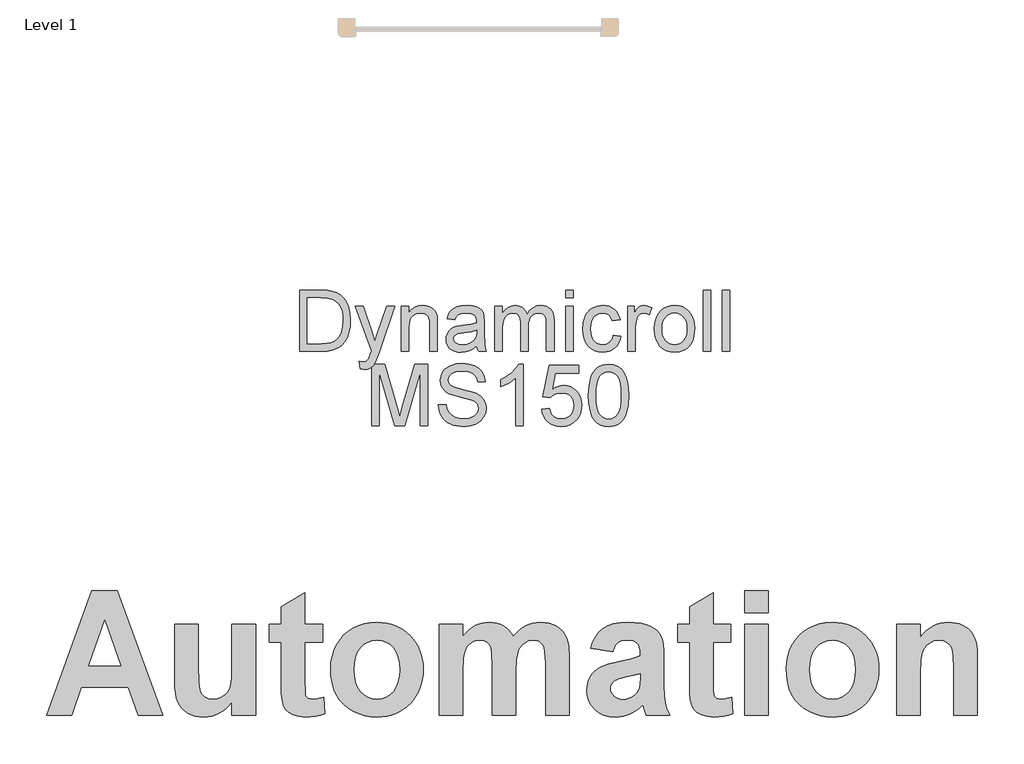
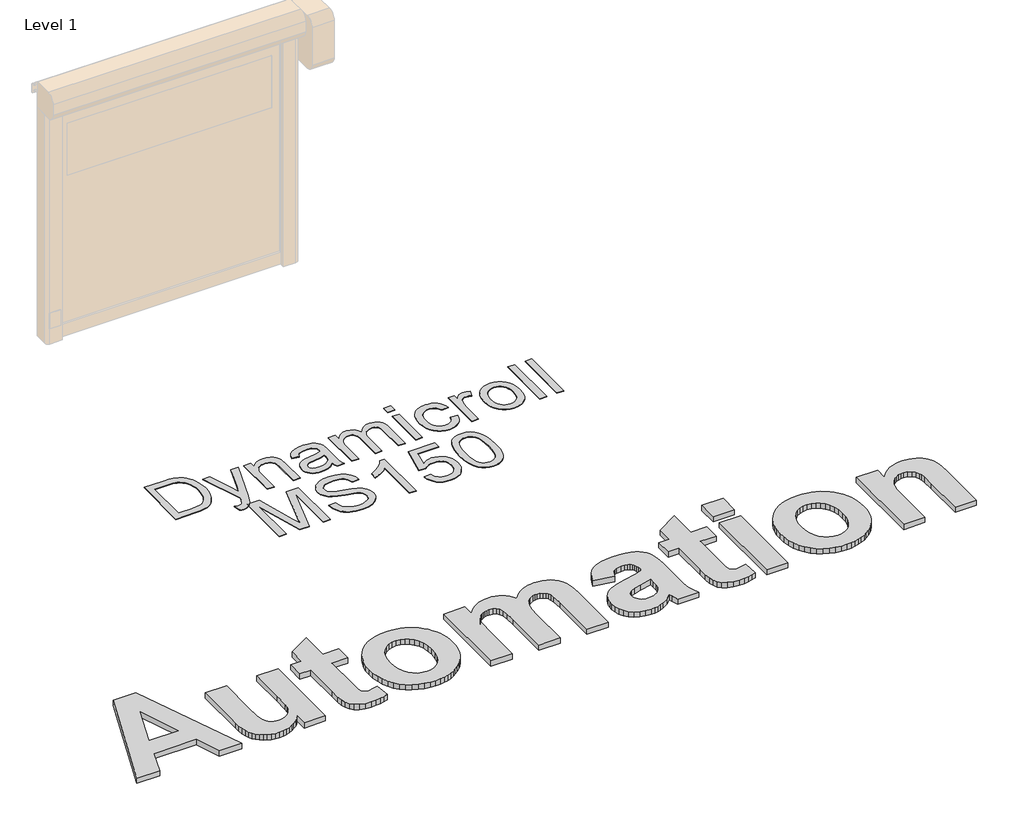
# One storey, part 17 of 18: 2 proxies.
"""IFC4 building model written with IfcOpenShell, lengths in millimetres."""

from ifc_helpers import new_model, si_unit, origin, origin_with_axes, place, context, project, spatial, polyline, outline, extrude, element, save

model = new_model("IFC4")

# Units and contexts
model_context = context("Model", 3, world=origin())
ifc_project = project(units=[si_unit("LENGTHUNIT", "METRE", prefix="MILLI")], contexts=[model_context])

# Site, building, storey
site = spatial("IfcSite", under=ifc_project)
building = spatial("IfcBuilding", under=site)
storey = spatial("IfcBuildingStorey", under=building, Name="Level 1", Elevation=0.0)

# Proxies
placement = place(None, origin())
element("IfcBuildingElementProxy", 1, Name="1000", ObjectType="1000", at=placement, inside=storey, context=model_context, shape_type="SweptSolid", body=[
    extrude(outline(polyline([(1198.6862628, 62514.1517949), (994.4825585, 62514.1517949), (914.5217524, 62740.876106), (529.1410316, 62740.876106), (450.1923876, 62514.1517949), (243.2052375, 62514.1517949), (615.6808914, 63534.4111948), (822.6680415, 63534.4111948), (1198.6862628, 62514.1517949)]), holes=[polyline([(852.273783, 62919.0166361), (720.9457502, 63291.4922901), (591.389001, 62919.0166361), (852.273783, 62919.0166361)])]), origin_with_axes(), (0.0, 0.0, 1.0), 50.0),
    extrude(outline(polyline([(1765.4970406, 62514.1517949), (1765.4970406, 62623.465302), (1744.6291047, 62595.796902), (1720.7404976, 62571.2440635), (1693.8312192, 62549.8067865), (1663.9012695, 62531.4850709), (1632.0102557, 62516.8166279), (1599.2177851, 62506.3391687), (1565.5238576, 62500.0526931), (1530.9284732, 62497.9572012), (1496.2777362, 62500.0131555), (1463.4299129, 62506.1810183), (1432.3850034, 62516.4607897), (1403.1430077, 62530.8524696), (1376.7635329, 62548.9685897), (1354.3061862, 62570.4216818), (1335.7709677, 62595.2117458), (1321.1578773, 62623.3387818), (1310.0873543, 62655.9889171), (1302.1798379, 62694.3482793), (1297.435328, 62738.4168684), (1295.8538247, 62788.1946843), (1295.8538247, 63259.1031028), (1490.1889485, 63259.1031028), (1490.1889485, 62914.7149472), (1492.814244, 62787.2141523), (1500.6901304, 62721.0124247), (1515.5562613, 62689.1293185), (1539.1522903, 62664.5843875), (1570.8772462, 62648.9275049), (1610.1301578, 62643.7085441), (1634.0345799, 62645.4481977), (1656.6579844, 62650.6671586), (1678.0003713, 62659.3654266), (1698.0617405, 62671.5430019), (1715.9485426, 62686.3063351), (1730.7672284, 62702.7618768), (1742.5177978, 62720.909627), (1751.2002509, 62740.7495857), (1757.4550964, 62768.9082517), (1761.9228432, 62812.0121238), (1765.4970406, 62943.0554861), (1765.4970406, 63259.1031028), (1959.8321644, 63259.1031028), (1959.8321644, 62514.1517949), (1765.4970406, 62514.1517949)])), origin_with_axes(), (0.0, 0.0, 1.0), 50.0),
    extrude(outline(polyline([(2510.4483485, 63259.1031028), (2510.4483485, 63113.3517599), (2364.6970057, 63113.3517599), (2364.6970057, 62793.7615759), (2365.804058, 62717.0586665), (2369.1252149, 62680.7789811), (2376.3684999, 62666.1026306), (2389.2419367, 62654.2097259), (2406.6384728, 62646.3338395), (2427.451056, 62643.7085441), (2465.913216, 62648.3897938), (2518.5456453, 62662.433543), (2526.6429422, 62524.2734159), (2490.3158117, 62512.760072), (2451.6796864, 62504.5362549), (2410.7345663, 62499.6019647), (2367.4804514, 62497.9572012), (2315.7336639, 62502.5119307), (2269.3007274, 62516.1761191), (2231.3762786, 62537.0519625), (2205.1549541, 62563.2416569), (2187.8533082, 62597.2123475), (2176.687895, 62641.4311794), (2171.9433851, 62694.2533891), (2170.3618818, 62782.8808333), (2170.3618818, 63113.3517599), (2073.1943199, 63113.3517599), (2073.1943199, 63259.1031028), (2170.3618818, 63259.1031028), (2170.3618818, 63404.8544456), (2364.6970057, 63518.2166012), (2364.6970057, 63259.1031028), (2510.4483485, 63259.1031028)])), origin_with_axes(), (0.0, 0.0, 1.0), 50.0),
    extrude(outline(polyline([(2575.2267231, 62897.2551509), (2578.2236718, 62945.8310244), (2587.214518, 62993.6319612), (2602.1992616, 63040.6579614), (2623.1779027, 63086.909025), (2649.6443602, 63130.0603422), (2681.0925531, 63167.7871031), (2717.5224813, 63200.0893077), (2758.9341448, 63226.966956), (2804.1176937, 63248.111655), (2851.8632779, 63263.2150113), (2902.1708974, 63272.2770252), (2955.0405523, 63275.2976964), (2995.9718342, 63273.5857191), (3035.009266, 63268.4497872), (3072.1528475, 63259.8899007), (3107.4025789, 63247.9060595), (3140.7584601, 63232.4982638), (3172.2204911, 63213.6665134), (3201.7886719, 63191.4108084), (3229.4630025, 63165.7311488), (3254.5199452, 63137.4341012), (3276.2359622, 63107.3262324), (3294.6110535, 63075.4075424), (3309.6452191, 63041.678031), (3321.338459, 63006.1376984), (3329.6907733, 62968.7865446), (3334.7021618, 62929.6245694), (3336.3726247, 62888.651773), (3334.6843699, 62847.3606991), (3329.6196056, 62807.8764927), (3321.1783318, 62770.1991538), (3309.3605485, 62734.3286824), (3294.1662557, 62700.2650785), (3275.5954534, 62668.0083421), (3253.6481415, 62637.5584732), (3228.3243201, 62608.9154718), (3200.4424172, 62582.9096271), (3170.8208607, 62560.3712284), (3139.4596505, 62541.3002757), (3106.3587867, 62525.6967689), (3071.5182693, 62513.560708), (3034.9380983, 62504.8920932), (2996.6182737, 62499.6909242), (2956.5587955, 62497.9572012), (2906.4172338, 62500.8434447), (2857.4617995, 62509.5021752), (2809.6924928, 62523.9333927), (2763.1093135, 62544.1370972), (2719.8710137, 62569.9235083), (2682.1363452, 62601.1028456), (2649.9053083, 62637.6751091), (2623.1779027, 62679.6402988), (2602.1992616, 62726.7374666), (2587.214518, 62778.7056646), (2578.2236718, 62835.5448927), (2575.2267231, 62897.2551509)]), holes=[polyline([(2769.5618469, 62886.6274488), (2772.9225414, 62831.2352962), (2783.0046248, 62782.7226829), (2799.8080973, 62741.0896089), (2823.3329586, 62706.3360742), (2851.7921103, 62678.9365298), (2883.3984534, 62659.3654266), (2918.1519882, 62647.6227647), (2956.0527144, 62643.7085441), (2993.9376256, 62647.6227647), (3028.6437152, 62659.3654266), (3060.1709832, 62678.9365298), (3088.5194297, 62706.3360742), (3111.9335858, 62741.1844991), (3128.6579831, 62783.1022437), (3138.6926214, 62832.089308), (3142.0375009, 62888.145692), (3138.6926214, 62942.8736132), (3128.6579831, 62990.9117755), (3111.9335858, 63032.2601789), (3088.5194297, 63066.9188235), (3060.1709832, 63094.3183679), (3028.6437152, 63113.8894711), (2993.9376256, 63125.632133), (2956.0527144, 63129.5463536), (2918.1519882, 63125.632133), (2883.3984534, 63113.8894711), (2851.7921103, 63094.3183679), (2823.3329586, 63066.9188235), (2799.8080973, 63032.1652888), (2783.0046248, 62990.5322147), (2772.9225414, 62942.0196014), (2769.5618469, 62886.6274488)])]), origin_with_axes(), (0.0, 0.0, 1.0), 50.0),
    extrude(outline(polyline([(3465.9293739, 63259.1031028), (3660.2644977, 63259.1031028), (3660.2644977, 63159.4051356), (3683.64307, 63186.5674546), (3708.1049721, 63210.108131), (3733.6502039, 63230.0271649), (3760.2787655, 63246.3245562), (3787.9906568, 63259.0003051), (3816.7858779, 63268.0544114), (3846.6644287, 63273.4868752), (3877.6263093, 63275.2976964), (3910.0392192, 63273.5185052), (3940.2222094, 63268.1809317), (3968.17528, 63259.2849757), (3993.8984309, 63246.8306373), (4017.4074773, 63230.7704714), (4038.718234, 63211.057033), (4057.8307012, 63187.6903219), (4074.7448789, 63160.6703383), (4099.1395671, 63187.6903219), (4124.4989723, 63211.057033), (4150.8230945, 63230.7704714), (4178.1119337, 63246.8306373), (4206.3496748, 63259.2849757), (4235.520503, 63268.1809317), (4265.624418, 63273.5185052), (4296.66142, 63275.2976964), (4335.1077649, 63273.2180196), (4370.4859934, 63266.9789892), (4402.7961055, 63256.5806051), (4432.0381013, 63242.0228673), (4458.0063853, 63223.4322962), (4480.495362, 63200.9354119), (4499.5050315, 63174.5322146), (4515.0353938, 63144.2227041), (4523.6704017, 63116.751992), (4529.8382645, 63081.9114746), (4534.7725548, 62990.1210239), (4534.7725548, 62514.1517949), (4340.437431, 62514.1517949), (4340.437431, 62943.0554861), (4335.5031407, 63034.8459368), (4329.3352779, 63065.8908463), (4320.70027, 63087.0355453), (4305.7392489, 63105.6340239), (4287.1724003, 63118.9186515), (4264.9997242, 63126.8894281), (4239.2212207, 63129.5463536), (4219.5235972, 63127.9569428), (4200.41113, 63123.1887104), (4163.9416642, 63104.1157808), (4147.5256601, 63089.9217888), (4133.5768011, 63072.7703856), (4122.0950873, 63052.6615713), (4113.0805185, 63029.5953459), (4106.2721469, 63001.4920325), (4101.4090243, 62966.2719543), (4097.5185262, 62874.4815036), (4097.5185262, 62514.1517949), (3903.1834024, 62514.1517949), (3903.1834024, 62925.3426493), (3900.6529972, 63015.4567065), (3893.0617814, 63066.6657829), (3880.1883446, 63094.3737205), (3861.8112764, 63113.9843613), (3836.8551546, 63125.6558555), (3804.2445568, 63129.5463536), (3782.9100775, 63128.0043879), (3762.6826505, 63123.3784908), (3743.5622757, 63115.6686623), (3725.5489533, 63104.8749023), (3709.3227296, 63091.1632688), (3695.563651, 63074.6998196), (3684.2717175, 63055.4845547), (3675.4469292, 63033.5174741), (3668.8046154, 63006.3393401), (3664.0601055, 62971.4909152), (3660.2644977, 62878.7831925), (3660.2644977, 62514.1517949), (3465.9293739, 62514.1517949), (3465.9293739, 63259.1031028)])), origin_with_axes(), (0.0, 0.0, 1.0), 50.0),
    extrude(outline(polyline([(4891.0536151, 63032.3787917), (4712.9130849, 63064.767979), (4729.6532972, 63114.9332632), (4751.5333952, 63158.139933), (4778.5533788, 63194.3879883), (4810.7132481, 63223.6774292), (4849.6419515, 63246.2612961), (4896.9684374, 63262.3926296), (4952.6927056, 63272.0714297), (5016.8147564, 63275.2976964), (5074.9666322, 63273.3445399), (5125.1793615, 63267.4850702), (5167.4529444, 63257.7192874), (5201.7873807, 63244.0471915), (5229.9065092, 63227.3781469), (5253.5341683, 63208.6215179), (5272.670358, 63187.7773046), (5287.3150784, 63164.8455069), (5298.164191, 63135.8486442), (5305.9135571, 63096.8092356), (5310.5631768, 63047.7272811), (5312.11305, 62988.6027807), (5312.11305, 62758.8419833), (5314.6750853, 62673.5673261), (5322.3611913, 62614.1028026), (5337.0691718, 62565.8353223), (5360.6968309, 62514.1517949), (5166.3617071, 62514.1517949), (5148.1427893, 62575.8936832), (5141.3106951, 62600.4386142), (5091.0188906, 62555.6820712), (5037.311039, 62523.6408146), (5009.1444654, 62512.4042338), (4980.06062, 62504.3781046), (4950.0595027, 62499.5624271), (4919.1411134, 62497.9572012), (4866.6589269, 62501.8556068), (4820.0441175, 62513.5508236), (4779.2966854, 62533.0428516), (4744.4166304, 62560.3316908), (4716.4635598, 62593.5669824), (4696.4970808, 62630.8983675), (4684.5171934, 62672.3258461), (4680.5238976, 62717.8494181), (4682.3030888, 62748.4989518), (4687.6406624, 62777.440462), (4696.5366184, 62804.6739486), (4708.9909568, 62830.1994116), (4724.6557468, 62853.4316949), (4743.1830578, 62873.7856422), (4764.5728898, 62891.2612535), (4788.8252427, 62905.8585288), (4851.5160329, 62930.4667199), (4936.8539502, 62951.658864), (5047.3693999, 62976.6466159), (5117.7779262, 62999.9896044), (5117.7779262, 63020.485887), (5116.2675905, 63047.8458938), (5111.7365836, 63070.9674719), (5104.1849054, 63089.8506211), (5093.612556, 63104.4953415), (5078.8650378, 63115.4551593), (5058.7878536, 63123.2836006), (5033.3810033, 63127.9806653), (5002.6444869, 63129.5463536), (4962.3477832, 63124.1692424), (4945.9475941, 63117.4478535), (4932.0461802, 63108.0379089), (4919.9951252, 63095.2435473), (4909.1460127, 63078.3689073), (4891.0536151, 63032.3787917)]), holes=[polyline([(5117.7779262, 62854.2382615), (5008.2113785, 62827.2894455), (4946.2164497, 62811.8223434), (4910.0316545, 62796.5450217), (4894.6436275, 62783.5608797), (4883.6521797, 62768.9003442), (4877.057311, 62752.5634153), (4874.8590214, 62734.5500928), (4876.6223976, 62716.7028283), (4881.9125261, 62700.1049513), (4890.7294069, 62684.7564619), (4903.07304, 62670.6573601), (4918.1368588, 62658.8672531), (4935.1142966, 62650.4457481), (4954.0053534, 62645.3928451), (4974.8100291, 62643.7085441), (4998.9279542, 62645.6696082), (5022.4449081, 62651.5528004), (5045.3608907, 62661.3581208), (5067.6759021, 62675.0855693), (5094.8777586, 62701.5283042), (5110.6927914, 62733.2848902), (5116.0066425, 62765.9903782), (5117.7779262, 62819.0656285), (5117.7779262, 62854.2382615)])]), origin_with_axes(), (0.0, 0.0, 1.0), 50.0),
    extrude(outline(polyline([(5862.7292341, 63259.1031028), (5862.7292341, 63113.3517599), (5716.9778912, 63113.3517599), (5716.9778912, 62793.7615759), (5718.0849435, 62717.0586665), (5721.4061004, 62680.7789811), (5728.6493855, 62666.1026306), (5741.5228222, 62654.2097259), (5758.9193584, 62646.3338395), (5779.7319416, 62643.7085441), (5818.1941015, 62648.3897938), (5870.8265309, 62662.433543), (5878.9238277, 62524.2734159), (5842.5966972, 62512.760072), (5803.960572, 62504.5362549), (5763.0154519, 62499.6019647), (5719.761337, 62497.9572012), (5668.0145495, 62502.5119307), (5621.581613, 62516.1761191), (5583.6571642, 62537.0519625), (5557.4358397, 62563.2416569), (5540.1341938, 62597.2123475), (5528.9687806, 62641.4311794), (5524.2242707, 62694.2533891), (5522.6427674, 62782.8808333), (5522.6427674, 63113.3517599), (5425.4752055, 63113.3517599), (5425.4752055, 63259.1031028), (5522.6427674, 63259.1031028), (5522.6427674, 63404.8544456), (5716.9778912, 63518.2166012), (5716.9778912, 63259.1031028), (5862.7292341, 63259.1031028)])), origin_with_axes(), (0.0, 0.0, 1.0), 50.0),
    extrude(outline(polyline([(5976.0913896, 63356.2706647), (5976.0913896, 63534.4111948), (6170.4265134, 63534.4111948), (6170.4265134, 63356.2706647), (5976.0913896, 63356.2706647)])), origin_with_axes(), (0.0, 0.0, 1.0), 50.0),
    extrude(outline(polyline([(5976.0913896, 62514.1517949), (5976.0913896, 63259.1031028), (6170.4265134, 63259.1031028), (6170.4265134, 62514.1517949), (5976.0913896, 62514.1517949)])), origin_with_axes(), (0.0, 0.0, 1.0), 50.0),
    extrude(outline(polyline([(6316.1778563, 62897.2551509), (6319.174805, 62945.8310244), (6328.1656512, 62993.6319612), (6343.1503948, 63040.6579614), (6364.1290359, 63086.909025), (6390.5954934, 63130.0603422), (6422.0436863, 63167.7871031), (6458.4736144, 63200.0893077), (6499.885278, 63226.966956), (6545.0688269, 63248.111655), (6592.8144111, 63263.2150113), (6643.1220306, 63272.2770252), (6695.9916855, 63275.2976964), (6736.9229674, 63273.5857191), (6775.9603991, 63268.4497872), (6813.1039807, 63259.8899007), (6848.3537121, 63247.9060595), (6881.7095932, 63232.4982638), (6913.1716242, 63213.6665134), (6942.7398051, 63191.4108084), (6970.4141357, 63165.7311488), (6995.4710784, 63137.4341012), (7017.1870954, 63107.3262324), (7035.5621867, 63075.4075424), (7050.5963523, 63041.678031), (7062.2895922, 63006.1376984), (7070.6419064, 62968.7865446), (7075.653295, 62929.6245694), (7077.3237578, 62888.651773), (7075.6355031, 62847.3606991), (7070.5707388, 62807.8764927), (7062.129465, 62770.1991538), (7050.3116817, 62734.3286824), (7035.1173889, 62700.2650785), (7016.5465865, 62668.0083421), (6994.5992747, 62637.5584732), (6969.2754533, 62608.9154718), (6941.3935504, 62582.9096271), (6911.7719938, 62560.3712284), (6880.4107837, 62541.3002757), (6847.3099199, 62525.6967689), (6812.4694025, 62513.560708), (6775.8892315, 62504.8920932), (6737.5694069, 62499.6909242), (6697.5099286, 62497.9572012), (6647.3683669, 62500.8434447), (6598.4129327, 62509.5021752), (6550.643626, 62523.9333927), (6504.0604467, 62544.1370972), (6460.8221468, 62569.9235083), (6423.0874784, 62601.1028456), (6390.8564414, 62637.6751091), (6364.1290359, 62679.6402988), (6343.1503948, 62726.7374666), (6328.1656512, 62778.7056646), (6319.174805, 62835.5448927), (6316.1778563, 62897.2551509)]), holes=[polyline([(6510.5129801, 62886.6274488), (6513.8736746, 62831.2352962), (6523.955758, 62782.7226829), (6540.7592304, 62741.0896089), (6564.2840918, 62706.3360742), (6592.7432434, 62678.9365298), (6624.3495866, 62659.3654266), (6659.1031213, 62647.6227647), (6697.0038476, 62643.7085441), (6734.8887588, 62647.6227647), (6769.5948484, 62659.3654266), (6801.1221164, 62678.9365298), (6829.4705628, 62706.3360742), (6852.884719, 62741.1844991), (6869.6091162, 62783.1022437), (6879.6437546, 62832.089308), (6882.988634, 62888.145692), (6879.6437546, 62942.8736132), (6869.6091162, 62990.9117755), (6852.884719, 63032.2601789), (6829.4705628, 63066.9188235), (6801.1221164, 63094.3183679), (6769.5948484, 63113.8894711), (6734.8887588, 63125.632133), (6697.0038476, 63129.5463536), (6659.1031213, 63125.632133), (6624.3495866, 63113.8894711), (6592.7432434, 63094.3183679), (6564.2840918, 63066.9188235), (6540.7592304, 63032.1652888), (6523.955758, 62990.5322147), (6513.8736746, 62942.0196014), (6510.5129801, 62886.6274488)])]), origin_with_axes(), (0.0, 0.0, 1.0), 50.0),
    extrude(outline(polyline([(7887.0534403, 62514.1517949), (7692.7183165, 62514.1517949), (7692.7183165, 62897.0021104), (7689.6818302, 62997.2061586), (7685.8862223, 63031.1768492), (7680.5723713, 63054.3933174), (7664.567558, 63086.0866433), (7640.8450088, 63109.8091926), (7610.5434058, 63124.6120633), (7574.8014315, 63129.5463536), (7550.6439688, 63127.7829774), (7527.7675238, 63122.4928489), (7506.1720964, 63113.6759681), (7485.8576867, 63101.332335), (7467.7336591, 63086.0708283), (7452.7093778, 63068.5003267), (7440.7848431, 63048.6208304), (7431.9600547, 63026.4323393), (7425.594504, 62998.1471531), (7421.047682, 62959.9775713), (7417.4102245, 62853.985221), (7417.4102245, 62514.1517949), (7223.0751007, 62514.1517949), (7223.0751007, 63259.1031028), (7417.4102245, 63259.1031028), (7417.4102245, 63151.8139199), (7441.2474328, 63180.75543), (7466.5791617, 63205.8380721), (7493.4054111, 63227.0618462), (7521.7261812, 63244.4267523), (7551.5414719, 63257.9327904), (7582.8512832, 63267.5799604), (7615.6556152, 63273.3682624), (7649.9544677, 63275.2976964), (7709.0394305, 63269.4145042), (7736.5892177, 63262.0605139), (7762.8105422, 63251.7649275), (7807.7252355, 63225.0058919), (7825.5329625, 63209.2066741), (7840.2409431, 63191.7943229), (7862.5401394, 63152.9209722), (7876.805299, 63109.1765913), (7884.491405, 63052.9699645), (7887.0534403, 62976.709876), (7887.0534403, 62514.1517949)])), origin_with_axes(), (0.0, 0.0, 1.0), 50.0),
])
element("IfcBuildingElementProxy", 2, Name="500mm", ObjectType="500mm", at=placement, inside=storey, context=model_context, shape_type="SweptSolid", body=[
    extrude(outline(polyline([(2323.0374075, 65500.9633243), (2323.0374075, 66003.244875), (2496.3098272, 66003.244875), (2548.089218, 66001.4361219), (2585.9504067, 65996.0098625), (2625.9882305, 65982.0610035), (2659.7720604, 65960.0800543), (2678.3884222, 65942.1151502), (2694.5062521, 65921.8203268), (2708.1255501, 65899.1955841), (2719.2463163, 65874.2409221), (2734.0535666, 65818.2615451), (2738.9893167, 65754.801901), (2735.6477219, 65700.8918603), (2725.6229375, 65653.4504113), (2710.3558347, 65613.0600339), (2691.2872846, 65580.3032079), (2669.3369923, 65554.4441693), (2645.4246626, 65534.7471542), (2617.9714687, 65520.1391733), (2585.3985837, 65509.5472375), (2547.6446939, 65503.1093026), (2504.6484857, 65500.9633243), (2323.0374075, 65500.9633243)]), holes=[polyline([(2385.8226013, 65563.7485181), (2496.9229638, 65563.7485181), (2542.8775564, 65566.0171238), (2577.7343755, 65572.8229407), (2604.0379381, 65583.76743), (2624.3327615, 65598.452053), (2646.1450981, 65625.6293354), (2662.5311753, 65660.8080512), (2672.785886, 65704.1414845), (2676.2041228, 65755.7829196), (2674.5294933, 65792.233894), (2669.5056048, 65824.2089707), (2661.1324573, 65851.7081499), (2649.4100508, 65874.7314314), (2635.2887472, 65893.7999815), (2619.7189082, 65909.4349663), (2602.7005338, 65921.6363858), (2584.233624, 65930.40424), (2548.1198748, 65937.9458209), (2495.2061812, 65940.4596812), (2385.8226013, 65940.4596812), (2385.8226013, 65563.7485181)])]), origin_with_axes(), (0.0, 0.0, 1.0), 5.0),
    extrude(outline(polyline([(2817.470809, 65359.6966381), (2809.6226597, 65420.1519127), (2841.505766, 65414.6336828), (2858.2750536, 65416.3657938), (2871.3042076, 65421.562127), (2881.4516193, 65429.8548003), (2889.57568, 65440.8759317), (2906.7435065, 65487.1064358), (2911.6485997, 65502.3122249), (2778.2300628, 65869.8263381), (2844.448822, 65869.8263381), (2915.2047924, 65665.0386941), (2939.852886, 65583.1236365), (2964.5009797, 65655.4737623), (3037.2189874, 65869.8263381), (3102.9472372, 65869.8263381), (2974.5564209, 65492.1341564), (2941.2017867, 65410.2190988), (2924.1259307, 65384.0688203), (2904.7814692, 65365.9506321), (2882.3100106, 65355.3740247), (2855.8531638, 65351.8484889), (2837.6736619, 65353.8105262), (2817.470809, 65359.6966381)])), origin_with_axes(), (0.0, 0.0, 1.0), 5.0),
    extrude(outline(polyline([(3154.9412259, 65500.9633243), (3154.9412259, 65869.8263381), (3217.7264197, 65869.8263381), (3217.7264197, 65818.3228588), (3239.5387564, 65844.2891963), (3265.7350201, 65862.8365802), (3296.3152109, 65873.9650106), (3331.2793289, 65877.6744874), (3362.2274018, 65874.6854461), (3390.5696438, 65865.7183225), (3414.206062, 65851.8920909), (3431.0366633, 65834.3257256), (3442.4563335, 65813.0652119), (3449.8599587, 65788.1565352), (3453.1708966, 65727.456006), (3453.1708966, 65500.9633243), (3390.3857028, 65500.9633243), (3390.3857028, 65718.9947201), (3388.5769497, 65751.4603062), (3383.1506902, 65774.5449014), (3373.1412343, 65791.0842627), (3357.5828916, 65803.9141473), (3337.6406217, 65812.145507), (3314.4793845, 65814.8892935), (3295.4146665, 65813.3487877), (3277.7065134, 65808.7272701), (3261.3549251, 65801.0247408), (3246.3599017, 65790.2411998), (3233.8327533, 65775.1503738), (3224.8847902, 65754.5259895), (3219.5160124, 65728.3680468), (3217.7264197, 65696.6765457), (3217.7264197, 65500.9633243), (3154.9412259, 65500.9633243)])), origin_with_axes(), (0.0, 0.0, 1.0), 5.0),
    extrude(outline(polyline([(3774.9450151, 65548.0522197), (3744.9473041, 65522.3311368), (3714.0605449, 65505.5005356), (3681.5796304, 65496.2115152), (3646.7994534, 65493.1151751), (3618.8442539, 65494.9775777), (3594.3302839, 65500.5647855), (3573.2575433, 65509.8767985), (3555.6260323, 65522.9136167), (3541.703998, 65538.8475056), (3531.7596879, 65556.8507307), (3525.7931018, 65576.9232921), (3523.8042397, 65599.0651897), (3526.8086093, 65625.0928408), (3535.8217182, 65648.729259), (3549.724592, 65668.9627688), (3567.3982561, 65684.7816945), (3588.1682605, 65696.7378594), (3611.3601546, 65705.3830863), (3665.6840625, 65714.8253908), (3729.8794707, 65724.7582047), (3774.5771331, 65736.4078012), (3774.9450151, 65750.387317), (3770.6224016, 65778.4076623), (3757.6545613, 65796.7404484), (3744.5794221, 65804.6805681), (3728.6531974, 65810.3520822), (3688.2474916, 65814.8892935), (3650.8461554, 65811.8695955), (3624.7265337, 65802.8105013), (3606.9149138, 65786.0565421), (3594.4375828, 65759.9522489), (3531.6523889, 65767.8003981), (3542.5508931, 65802.136051), (3558.8143429, 65829.114064), (3581.9602518, 65849.7461126), (3613.5061329, 65865.0438722), (3652.0877571, 65874.5168336), (3696.3408955, 65877.6744874), (3738.7852806, 65874.8847156), (3772.4311548, 65866.5154002), (3797.799684, 65853.9307702), (3815.4120346, 65838.4950549), (3827.0922879, 65819.4111764), (3834.6645256, 65795.8820571), (3837.7302089, 65740.9450125), (3837.7302089, 65662.8314022), (3840.9185196, 65553.7543906), (3845.6396718, 65526.791706), (3853.4265074, 65500.9633243), (3790.6413136, 65500.9633243), (3780.5858724, 65522.7909893), (3774.9450151, 65548.0522197)]), holes=[polyline([(3774.9450151, 65673.6226074), (3732.761213, 65663.1686273), (3673.6548391, 65654.3701163), (3619.6374995, 65644.1920477), (3605.5813416, 65637.2329467), (3595.1733468, 65627.637358), (3588.7354119, 65616.1410456), (3586.5894336, 65603.4797736), (3591.2646006, 65584.8097624), (3605.2901016, 65569.5120027), (3628.3593684, 65559.3032774), (3660.1658326, 65555.9003689), (3693.8883488, 65559.6558309), (3723.6867904, 65570.922217), (3747.8443748, 65587.5228921), (3764.6443192, 65607.2812209), (3772.0939296, 65627.637358), (3774.5771331, 65655.8416443), (3774.9450151, 65673.6226074)])]), origin_with_axes(), (0.0, 0.0, 1.0), 5.0),
    extrude(outline(polyline([(3924.0598505, 65500.9633243), (3924.0598505, 65869.8263381), (3986.8450443, 65869.8263381), (3986.8450443, 65809.1258089), (4005.7296534, 65837.0081985), (4030.0098651, 65858.8511919), (4058.8579449, 65872.9686635), (4091.4461583, 65877.6744874), (4126.364291, 65872.876693), (4154.3539794, 65858.4833099), (4175.2619395, 65835.4447), (4188.934887, 65804.711225), (4211.8202128, 65836.6326523), (4237.924506, 65859.4336718), (4267.2477667, 65873.1142835), (4299.7899949, 65877.6744874), (4324.9247658, 65875.7775958), (4346.9861892, 65870.0869212), (4365.9742651, 65860.6024635), (4381.8889935, 65847.3242228), (4394.4697913, 65830.0989147), (4403.4560754, 65808.7732553), (4408.8478459, 65783.3472445), (4410.6451028, 65753.8208823), (4410.6451028, 65500.9633243), (4347.8599089, 65500.9633243), (4347.8599089, 65726.8428693), (4346.4037093, 65758.1588242), (4342.0351107, 65779.2660536), (4333.8497363, 65793.7207504), (4320.9432096, 65805.079107), (4304.3425346, 65812.4367469), (4285.0747151, 65814.8892935), (4267.2822557, 65813.3181308), (4251.0609589, 65808.6046428), (4236.4108249, 65800.7488293), (4223.3318535, 65789.7506905), (4212.5751373, 65775.2883296), (4204.8917685, 65757.0398498), (4200.2817473, 65735.0052511), (4198.7450735, 65709.1845336), (4198.7450735, 65500.9633243), (4135.9598797, 65500.9633243), (4135.9598797, 65733.8326272), (4132.327045, 65769.3332398), (4121.4285409, 65794.6557838), (4113.0017439, 65803.5079443), (4102.2526919, 65809.8309161), (4073.7878225, 65814.8892935), (4049.5995813, 65811.5170419), (4027.3120638, 65801.400287), (4008.917964, 65784.7842836), (3996.4099762, 65761.9142862), (3989.2362773, 65730.1844641), (3986.8450443, 65686.9889865), (3986.8450443, 65500.9633243), (3924.0598505, 65500.9633243)])), origin_with_axes(), (0.0, 0.0, 1.0), 5.0),
    extrude(outline(polyline([(4504.8228935, 65940.4596812), (4504.8228935, 66003.244875), (4567.6080874, 66003.244875), (4567.6080874, 65940.4596812), (4504.8228935, 65940.4596812)])), origin_with_axes(), (0.0, 0.0, 1.0), 5.0),
    extrude(outline(polyline([(4504.8228935, 65500.9633243), (4504.8228935, 65869.8263381), (4567.6080874, 65869.8263381), (4567.6080874, 65500.9633243), (4504.8228935, 65500.9633243)])), origin_with_axes(), (0.0, 0.0, 1.0), 5.0),
    extrude(outline(polyline([(4897.230355, 65634.3818612), (4960.0155489, 65626.533712), (4953.1867394, 65596.9077151), (4942.5104973, 65570.6922908), (4927.9868227, 65547.8874392), (4909.6157155, 65528.4931603), (4888.1712609, 65513.0152917), (4864.4275438, 65501.9596714), (4838.3845642, 65495.3262991), (4810.0423222, 65493.1151751), (4774.8291175, 65496.2000189), (4743.2564116, 65505.4545503), (4715.3242047, 65520.8787694), (4691.0324967, 65542.4726761), (4671.3699705, 65569.8300674), (4657.3253089, 65602.5447402), (4648.898512, 65640.6166946), (4646.0895797, 65684.0459306), (4650.887374, 65739.9180086), (4665.2807571, 65788.3404762), (4676.1332759, 65809.2905894), (4689.4996551, 65827.4432666), (4705.3798946, 65842.7985078), (4723.7739943, 65855.356313), (4764.7775084, 65872.0949438), (4809.1839309, 65877.6744874), (4837.0394957, 65875.7584353), (4862.2355803, 65870.0102791), (4884.7721846, 65860.4300188), (4904.6493086, 65847.0176544), (4921.5297272, 65830.0797542), (4935.0762153, 65809.9228866), (4945.2887728, 65786.5470515), (4952.1673997, 65759.9522489), (4889.3822058, 65752.1040997), (4877.9931924, 65779.4959799), (4860.2582145, 65799.1316814), (4837.1582909, 65810.9498905), (4809.6744402, 65814.8892935), (4788.3411166, 65812.9502488), (4769.1001218, 65807.1331148), (4751.9514559, 65797.4378914), (4736.8951188, 65783.8645786), (4724.6362177, 65766.0989439), (4715.8798598, 65743.8267548), (4710.6260451, 65717.0480112), (4708.8747735, 65685.7627132), (4710.5877241, 65654.0060664), (4715.7265757, 65626.9169224), (4724.2913284, 65604.4952812), (4736.2819822, 65586.7411428), (4751.0394151, 65573.2483042), (4767.9045053, 65563.6105624), (4786.8772528, 65557.8279173), (4807.9576575, 65555.9003689), (4840.4692289, 65560.7134917), (4867.1253451, 65575.15286), (4877.905054, 65586.0743567), (4886.5157919, 65599.5863558), (4897.230355, 65634.3818612)])), origin_with_axes(), (0.0, 0.0, 1.0), 5.0),
    extrude(outline(polyline([(5014.9525935, 65500.9633243), (5014.9525935, 65869.8263381), (5069.8896381, 65869.8263381), (5069.8896381, 65815.2571755), (5090.1844615, 65846.8950271), (5108.8851296, 65865.5343815), (5127.6471114, 65874.6394609), (5148.1258758, 65877.6744874), (5179.3958453, 65872.8307077), (5211.1563243, 65858.2993689), (5190.1870505, 65802.0134237), (5168.1141308, 65811.6703261), (5146.0412111, 65814.8892935), (5127.2945578, 65811.7929534), (5110.5405986, 65802.503933), (5097.0056068, 65787.7273395), (5087.9158559, 65768.1682801), (5080.2823045, 65733.0968632), (5077.7377873, 65694.8371357), (5077.7377873, 65500.9633243), (5014.9525935, 65500.9633243)])), origin_with_axes(), (0.0, 0.0, 1.0), 5.0),
    extrude(outline(polyline([(5234.700772, 65685.3948312), (5238.0960162, 65733.1658411), (5248.2817489, 65774.3303035), (5265.2579702, 65808.8882185), (5289.0246799, 65836.8395859), (5312.952338, 65854.7048553), (5339.3631996, 65867.465762), (5368.2572646, 65875.122306), (5399.6345331, 65877.6744874), (5434.2729222, 65874.5666509), (5465.5927092, 65865.2431416), (5493.593894, 65849.7039594), (5518.2764766, 65827.9491043), (5538.4218479, 65800.7143404), (5552.8113989, 65768.7354315), (5561.4451294, 65732.0123778), (5564.3230396, 65690.5451791), (5559.2340054, 65627.1161918), (5552.8727125, 65601.0808764), (5543.9669026, 65578.8316799), (5532.6277065, 65559.6136778), (5518.9662553, 65542.6719455), (5502.982549, 65528.006483), (5484.6765877, 65515.6172904), (5443.9489851, 65498.7407039), (5399.6345331, 65493.1151751), (5364.4903063, 65496.2115152), (5332.8792794, 65505.5005356), (5304.8014526, 65520.9822362), (5280.2568257, 65542.6566171), (5260.3260522, 65570.1557962), (5246.0897854, 65603.1118916), (5237.5480253, 65641.5249033), (5234.700772, 65685.3948312)]), holes=[polyline([(5297.4859658, 65685.5174585), (5299.3023831, 65655.0637271), (5304.7516352, 65628.6950187), (5313.833722, 65606.4113333), (5326.5486434, 65588.2126708), (5342.0150156, 65574.0760387), (5359.3514547, 65563.9784444), (5378.5579605, 65557.9198878), (5399.6345331, 65555.9003689), (5420.6038068, 65557.9313841), (5439.7336706, 65564.0244296), (5457.0241244, 65574.1795055), (5472.4751682, 65588.3966118), (5485.1900896, 65606.7753832), (5494.2721764, 65629.4154543), (5499.7214284, 65656.3168252), (5501.5378458, 65687.4794958), (5499.7099321, 65716.967537), (5494.2261911, 65742.6464667), (5485.0866228, 65764.5162849), (5472.2912272, 65782.5769916), (5456.7827018, 65796.7136237), (5439.5037444, 65806.811218), (5420.4543548, 65812.8697746), (5399.6345331, 65814.8892935), (5378.5579605, 65812.8774388), (5359.3514547, 65806.8418749), (5342.0150156, 65796.7826016), (5326.5486434, 65782.6996189), (5313.833722, 65764.5546059), (5304.7516352, 65742.3092415), (5299.3023831, 65715.9635257), (5297.4859658, 65685.5174585)])]), origin_with_axes(), (0.0, 0.0, 1.0), 5.0),
    extrude(outline(polyline([(5634.9563827, 65500.9633243), (5634.9563827, 66003.244875), (5697.7415765, 66003.244875), (5697.7415765, 65500.9633243), (5634.9563827, 65500.9633243)])), origin_with_axes(), (0.0, 0.0, 1.0), 5.0),
    extrude(outline(polyline([(5791.9193673, 65500.9633243), (5791.9193673, 66003.244875), (5854.7045612, 66003.244875), (5854.7045612, 65500.9633243), (5791.9193673, 65500.9633243)])), origin_with_axes(), (0.0, 0.0, 1.0), 5.0),
    extrude(outline(polyline([(2911.6485997, 64891.0892351), (2911.6485997, 65393.3707858), (3019.683279, 65393.3707858), (3122.444983, 65039.3456791), (3143.169002, 64965.4013981), (3165.6098037, 65045.4770457), (3266.6547251, 65393.3707858), (3374.6894043, 65393.3707858), (3374.6894043, 64891.0892351), (3311.9042105, 64891.0892351), (3311.9042105, 65330.585592), (3185.7206861, 64891.0892351), (3100.6173179, 64891.0892351), (2974.4337936, 65330.585592), (2974.4337936, 64891.0892351), (2911.6485997, 64891.0892351)])), origin_with_axes(), (0.0, 0.0, 1.0), 5.0),
    extrude(outline(polyline([(3461.0190459, 65063.7485181), (3523.8042397, 65063.7485181), (3531.0085955, 65028.9070275), (3544.0377495, 65000.9020106), (3564.3632297, 64978.6758068), (3593.4565641, 64961.1707551), (3629.0184903, 64949.8123985), (3668.7497458, 64946.0262797), (3703.7291922, 64948.8926936), (3734.3553683, 64957.4919352), (3759.1720745, 64971.103569), (3776.7231114, 64989.0071594), (3787.161763, 65009.5625659), (3790.6413136, 65031.1296479), (3788.0354828, 65052.1449069), (3780.2179904, 65070.3090804), (3764.3377509, 65085.8061094), (3737.5436789, 65098.819935), (3646.1250031, 65122.7935784), (3586.1142527, 65138.6584894), (3547.7165694, 65153.7569796), (3516.4619282, 65174.8795375), (3494.3123664, 65200.477993), (3481.1145999, 65230.0005231), (3476.7153443, 65262.8953049), (3482.1569322, 65299.668176), (3498.4816957, 65333.9578436), (3510.6179695, 65349.4855295), (3525.2604393, 65363.0205212), (3562.0639672, 65384.1124223), (3606.2404635, 65396.9423068), (3655.138112, 65401.218935), (3708.1131193, 65396.7430374), (3754.4662507, 65383.3153446), (3792.5420372, 65361.2117681), (3807.8551252, 65347.0099902), (3820.6850098, 65330.7082193), (3838.4966298, 65293.705422), (3845.5783582, 65252.1040997), (3782.7931643, 65252.1040997), (3778.5931782, 65272.13834), (3771.2661951, 65289.5667495), (3760.8122151, 65304.3893282), (3747.2312381, 65316.6060762), (3730.2703453, 65326.1556796), (3709.6766178, 65332.9768249), (3657.5906586, 65338.4337412), (3604.2784262, 65333.0381386), (3583.8992965, 65326.2936354), (3567.7048245, 65316.8513308), (3555.3654492, 65305.5006384), (3546.5516098, 65293.0309716), (3541.2633061, 65279.4423304), (3539.5005382, 65264.7347148), (3544.4976019, 65240.6077873), (3559.4887932, 65221.2020121), (3573.2537112, 65212.5721136), (3594.9280921, 65203.8502446), (3662.0052426, 65186.1305952), (3731.2283713, 65169.2999939), (3773.1056051, 65154.6153709), (3808.8974576, 65131.8373441), (3833.867448, 65103.7250283), (3848.5367425, 65070.5849919), (3853.4265074, 65032.7238032), (3847.8009786, 64994.0195516), (3830.924392, 64957.6145625), (3803.4865266, 64926.2832793), (3766.1771609, 64902.8001452), (3721.3108859, 64888.1308507), (3671.2022925, 64883.2410858), (3609.6893572, 64888.5140611), (3583.0140804, 64895.1052802), (3559.0595976, 64904.3329869), (3537.6802887, 64916.2125097), (3518.7305339, 64930.7591769), (3502.210333, 64947.9729886), (3488.1196862, 64967.8539447), (3476.7689938, 64989.7582519), (3468.4686563, 65013.0421165), (3463.2186736, 65037.7055386), (3461.0190459, 65063.7485181)])), origin_with_axes(), (0.0, 0.0, 1.0), 5.0),
    extrude(outline(polyline([(4159.5043274, 64891.0892351), (4096.7191335, 64891.0892351), (4096.7191335, 65282.5156779), (4070.5075414, 65261.316478), (4037.2448777, 65240.1479348), (3971.1487459, 65208.4487696), (3971.1487459, 65267.8003981), (4020.4602616, 65294.6251269), (4063.1805583, 65326.53889), (4096.8570893, 65360.4760041), (4119.0373079, 65393.3707858), (4159.5043274, 65393.3707858), (4159.5043274, 64891.0892351)])), origin_with_axes(), (0.0, 0.0, 1.0), 5.0),
    extrude(outline(polyline([(4308.6191628, 65024.507772), (4371.4043566, 65032.3559212), (4382.9313258, 64994.6633451), (4391.9137778, 64979.8292701), (4403.0422082, 64967.6700037), (4416.2936242, 64958.2008745), (4431.6450333, 64951.4372107), (4468.6478307, 64946.0262797), (4492.5601603, 64947.9078428), (4513.6520614, 64953.5525322), (4531.9235338, 64962.9603478), (4547.3745776, 64976.1312896), (4559.6603034, 64992.4139), (4568.4358219, 65011.1567212), (4573.7011329, 65032.3597533), (4575.4562366, 65056.0229962), (4573.8122639, 65078.3871559), (4568.8803459, 65098.268112), (4560.6604826, 65115.6658647), (4549.1526739, 65130.5804139), (4534.3185989, 65142.544243), (4516.1199365, 65151.0898352), (4494.5566866, 65156.2171905), (4469.6288493, 65157.9263089), (4439.1712858, 65155.1978508), (4414.5078637, 65147.0124764), (4394.8108485, 65134.4738317), (4379.2525058, 65118.6855627), (4316.467312, 65126.533712), (4371.4043566, 65385.5226366), (4614.6969827, 65385.5226366), (4614.6969827, 65322.7374427), (4422.1720719, 65322.7374427), (4395.3166863, 65184.4138126), (4417.4739123, 65200.294052), (4440.1676329, 65211.6370802), (4463.397848, 65218.4428971), (4487.1645578, 65220.7115027), (4517.7409165, 65217.8987383), (4545.8264076, 65209.4604451), (4571.421031, 65195.396623), (4594.5247867, 65175.707272), (4613.6508183, 65151.5956729), (4627.3122695, 65124.2651063), (4635.5091402, 65093.7155723), (4638.2414304, 65059.9470709), (4635.7812196, 65027.4201711), (4628.4005871, 64997.161877), (4616.0995329, 64969.1721885), (4598.878057, 64943.4511057), (4572.7890921, 64917.109222), (4542.346857, 64898.2935908), (4507.5513517, 64887.0042121), (4468.402576, 64883.2410858), (4436.0021357, 64885.6591435), (4406.7363566, 64892.9133166), (4380.6052386, 64905.0036051), (4357.6087818, 64921.930009), (4338.4750859, 64942.8494654), (4323.9322508, 64966.9189113), (4313.9802764, 64994.1383469), (4308.6191628, 65024.507772)])), origin_with_axes(), (0.0, 0.0, 1.0), 5.0),
    extrude(outline(polyline([(4693.1784751, 65138.1833085), (4697.7923284, 65218.5808529), (4711.6338885, 65282.6996189), (4721.9805696, 65308.8997148), (4734.5651995, 65331.5206254), (4749.3877782, 65350.5623507), (4766.4483058, 65366.0248908), (4785.8042637, 65377.9887199), (4807.5131335, 65386.5343121), (4831.5749152, 65391.6616674), (4857.9896089, 65393.3707858), (4896.6785321, 65389.3240839), (4931.3207533, 65377.183978), (4960.2914604, 65357.4256492), (4981.9658413, 65330.5242783), (4998.3365901, 65296.7097916), (5011.3964009, 65256.2121153), (5019.9496573, 65204.785278), (5022.8007427, 65138.1833085), (5018.2328746, 65058.2456166), (5004.5292703, 64994.2801347), (4994.2630634, 64968.0685426), (4981.735915, 64945.413143), (4966.9478252, 64926.3139361), (4949.898794, 64910.7709218), (4930.5198435, 64898.7266186), (4908.7419958, 64890.1235448), (4884.5652509, 64884.9617006), (4857.9896089, 64883.2410858), (4823.4087013, 64886.230127), (4792.7518684, 64895.1972507), (4766.0191101, 64910.1424567), (4743.2104264, 64931.0657452), (4721.3214477, 64968.8886128), (4705.6864629, 65016.0158293), (4696.305472, 65072.4473945), (4693.1784751, 65138.1833085)]), holes=[polyline([(4755.9636689, 65138.3059358), (4757.8030789, 65083.7252769), (4763.3213088, 65039.5449485), (4772.5183587, 65005.7649507), (4785.3942285, 64982.3852835), (4800.9678996, 64966.4782193), (4818.2583534, 64955.1160306), (4837.2655898, 64948.2987174), (4857.9896089, 64946.0262797), (4878.713628, 64948.3063816), (4897.7208644, 64955.1466875), (4915.0113181, 64966.5471972), (4930.5849893, 64982.5079109), (4943.4608591, 65005.9258991), (4952.657909, 65039.6982327), (4958.1761389, 65083.8249116), (4960.0155489, 65138.3059358), (4958.2374526, 65191.4418915), (4952.9031636, 65234.8443027), (4944.0126821, 65268.5131695), (4931.5660079, 65292.4484918), (4916.2529199, 65309.1334731), (4898.7631967, 65321.0513169), (4879.0968384, 65328.2020232), (4857.2538449, 65330.585592), (4836.6371248, 65328.4855989), (4817.9517851, 65322.1856197), (4801.1978259, 65311.6856545), (4786.3752472, 65296.9857031), (4773.0701817, 65270.9273951), (4763.5665635, 65235.7946645), (4757.8643925, 65191.5875115), (4755.9636689, 65138.3059358)])]), origin_with_axes(), (0.0, 0.0, 1.0), 5.0),
])

save(model, "model.ifc")
